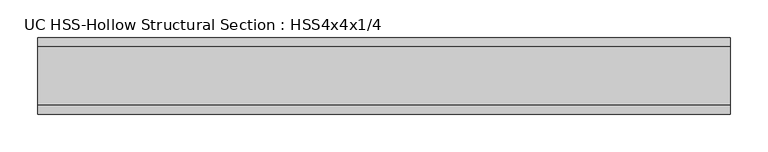
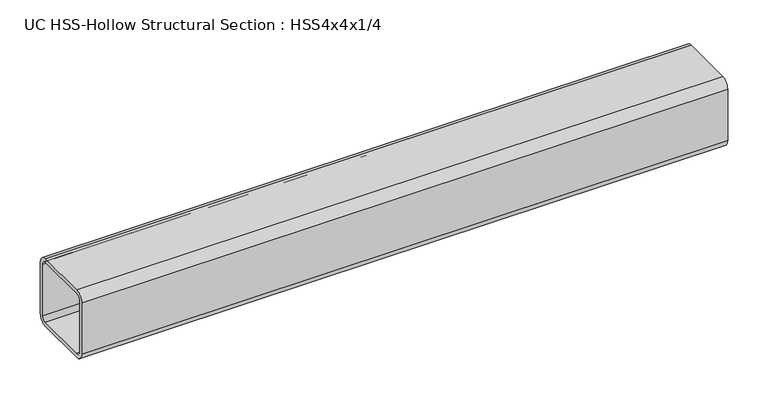
"""IFC4 building model written with IfcOpenShell, lengths in millimetres: beam geometry, UC HSS-Hollow Structural Section : HSS4x4x1/4."""

import ifcopenshell
import ifcopenshell.guid

model = None  # the IFC model being written
_history = None  # IfcOwnerHistory: only IFC2X3 demands one
_inside = {}  # id of a spatial element -> (the spatial element, [elements in it])
_under = {}  # id of a project, library or spatial element -> (it, [spatial elements below it])
_declared = {}  # id of a project -> (the project, [libraries it declares])
_typed = {}  # id of a type object -> (the type object, [elements of that type])
_made_of = {}  # id of a material, layer set ... -> (it, [elements and type objects made of it])


def new_model(schema):
    """Start an empty IFC model of exactly this schema.

    Asked for "IFC4X3", IfcOpenShell would pick the latest addendum, in which some entities
    have other attributes; the version numbers below select the first issue.
    IFC2X3 requires an IfcOwnerHistory on every rooted entity: one is made here for all.
    """
    global model, _history
    if schema == "IFC4X3":
        model = ifcopenshell.file(schema_version=(4, 3, 0, 0))
    else:
        model = ifcopenshell.file(schema=schema)
    _inside.clear()
    _under.clear()
    _declared.clear()
    _typed.clear()
    _made_of.clear()
    _history = None
    if model.schema == "IFC2X3":
        org = make("IfcOrganization", Name="unknown")
        user = make(
            "IfcPersonAndOrganization",
            ThePerson=make("IfcPerson", FamilyName="unknown"),
            TheOrganization=org,
        )
        app = make(
            "IfcApplication",
            ApplicationDeveloper=org,
            Version="unknown",
            ApplicationFullName="unknown",
            ApplicationIdentifier="unknown",
        )
        _history = make(
            "IfcOwnerHistory",
            OwningUser=user,
            OwningApplication=app,
            ChangeAction="ADDED",
            CreationDate=0,
        )
    return model


def make(cls, **values):
    """One entity of the class cls with the attributes given. An attribute that is None is left unset."""
    return model.create_entity(
        cls, **{name: value for name, value in values.items() if value is not None}
    )


def rooted(cls, **values):
    """An entity with a GlobalId (a new one), such as an element, a storey or a relation."""
    return make(cls, GlobalId=ifcopenshell.guid.new(), OwnerHistory=_history, **values)


def si_unit(unit_type, name, prefix=None):
    """IfcSIUnit, for example si_unit("LENGTHUNIT", "METRE", prefix="MILLI")."""
    return make("IfcSIUnit", UnitType=unit_type, Prefix=prefix, Name=name)


def assignment(units):
    """IfcUnitAssignment: the units of a project."""
    return None if units is None else make("IfcUnitAssignment", Units=units)


def point(xyz):
    """IfcCartesianPoint."""
    return None if xyz is None else make("IfcCartesianPoint", Coordinates=xyz)


def direction(xyz):
    """IfcDirection."""
    return None if xyz is None else make("IfcDirection", DirectionRatios=xyz)


def frame(location, z_axis=None, x_axis=None):
    """IfcAxis2Placement3D, a coordinate frame: its origin and axes. An axis left out is left unset."""
    return make(
        "IfcAxis2Placement3D",
        Location=point(location),
        Axis=direction(z_axis),
        RefDirection=direction(x_axis),
    )


def frame_2d(location, x_axis=None):
    """IfcAxis2Placement2D, a coordinate frame in the plane: its origin and x axis."""
    return make(
        "IfcAxis2Placement2D", Location=point(location), RefDirection=direction(x_axis)
    )


def origin():
    """The frame at (0, 0, 0) with its axes left unset."""
    return frame((0.0, 0.0, 0.0))


def place(relative_to, where):
    """IfcLocalPlacement: puts the frame where relative to a parent placement (None: the world)."""
    return make(
        "IfcLocalPlacement", PlacementRelTo=relative_to, RelativePlacement=where
    )


def context(
    kind, dimensions, precision=None, world=None, true_north=None, identifier=None
):
    """IfcGeometricRepresentationContext, for example the 3D "Model" context."""
    return make(
        "IfcGeometricRepresentationContext",
        ContextIdentifier=identifier,
        ContextType=kind,
        CoordinateSpaceDimension=dimensions,
        Precision=precision,
        WorldCoordinateSystem=world,
        TrueNorth=true_north,
    )


def project(units=None, contexts=None):
    """IfcProject with its units and contexts."""
    return rooted(
        "IfcProject",
        Name="project",
        RepresentationContexts=contexts,
        UnitsInContext=assignment(units),
    )


def spatial(cls, under=None, at=None, **own):
    """A site, building, storey or space (cls), placed at a placement, below another one or the project."""
    s = rooted(cls, ObjectPlacement=at, **own)
    if under is not None:
        _under.setdefault(under.id(), (under, []))[1].append(s)
    return s


def polyline(points):
    """IfcPolyline through the points."""
    return make("IfcPolyline", Points=[point(p) for p in points])


def circle_curve(where, radius):
    """IfcCircle in the frame where."""
    return make("IfcCircle", Position=where, Radius=radius)


def trimmed(basis, trim1, trim2, sense, master):
    """IfcTrimmedCurve: the piece of a basis curve between two trims."""
    return make(
        "IfcTrimmedCurve",
        BasisCurve=basis,
        Trim1=trim1,
        Trim2=trim2,
        SenseAgreement=sense,
        MasterRepresentation=master,
    )


def segment(curve, same_sense, transition):
    """IfcCompositeCurveSegment."""
    return make(
        "IfcCompositeCurveSegment",
        Transition=transition,
        SameSense=same_sense,
        ParentCurve=curve,
    )


def composite_curve(segments, self_intersect=None):
    """IfcCompositeCurve: segments joined end to end."""
    return make("IfcCompositeCurve", Segments=segments, SelfIntersect=self_intersect)


def outline(outer, holes=None, kind="AREA"):
    """IfcArbitraryClosedProfileDef: a profile drawn as a closed curve; with holes, ...WithVoids."""
    if holes is None:
        return make("IfcArbitraryClosedProfileDef", ProfileType=kind, OuterCurve=outer)
    return make(
        "IfcArbitraryProfileDefWithVoids",
        ProfileType=kind,
        OuterCurve=outer,
        InnerCurves=holes,
    )


def extrude(swept, where, along, depth):
    """IfcExtrudedAreaSolid: the profile swept, set in the frame where, extruded along a direction by depth."""
    return make(
        "IfcExtrudedAreaSolid",
        SweptArea=swept,
        Position=where,
        ExtrudedDirection=direction(along),
        Depth=depth,
    )


def shape(context_of_items, identifier, shape_type, items):
    """IfcShapeRepresentation: the items that make up one representation, for example the "Body"."""
    return make(
        "IfcShapeRepresentation",
        ContextOfItems=context_of_items,
        RepresentationIdentifier=identifier,
        RepresentationType=shape_type,
        Items=items,
    )


def source(mapping_origin, context_of_items, identifier, shape_type, items):
    """IfcRepresentationMap: a shape defined once, which mapped items show again and again."""
    return make(
        "IfcRepresentationMap",
        MappingOrigin=mapping_origin,
        MappedRepresentation=shape(context_of_items, identifier, shape_type, items),
    )


def transform(
    local_origin,
    x_axis=None,
    y_axis=None,
    z_axis=None,
    scale=None,
    scale2=None,
    scale3=None,
    uniform=True,
):
    """IfcCartesianTransformationOperator3D, or its non-uniform kind. x_axis, y_axis, z_axis: its Axis1, 2, 3."""
    if uniform:
        return make(
            "IfcCartesianTransformationOperator3D",
            Axis1=direction(x_axis),
            Axis2=direction(y_axis),
            LocalOrigin=point(local_origin),
            Scale=scale,
            Axis3=direction(z_axis),
        )
    return make(
        "IfcCartesianTransformationOperator3DnonUniform",
        Axis1=direction(x_axis),
        Axis2=direction(y_axis),
        LocalOrigin=point(local_origin),
        Scale=scale,
        Axis3=direction(z_axis),
        Scale2=scale2,
        Scale3=scale3,
    )


def mapped(mapping_source, mapping_target):
    """IfcMappedItem: shows the shape of a source again, moved by a transform."""
    return make(
        "IfcMappedItem", MappingSource=mapping_source, MappingTarget=mapping_target
    )


def made_of(thing, what):
    """Note that an element or type object is made of a material, layer set ...; save() writes the relation."""
    if what is not None:
        _made_of.setdefault(what.id(), (what, []))[1].append(thing)
    return thing


def element(
    cls,
    number,
    at=None,
    inside=None,
    cuts=None,
    type_object=None,
    material=None,
    context=None,
    identifier="Body",
    shape_type=None,
    held_by="IfcProductDefinitionShape",
    body=None,
    shapes=None,
    **own,
):
    """One element of the class cls, such as IfcWall. Its Tag is "e" and its number.

    at: its placement. inside: the storey or other place that contains it. cuts: it is an
    opening in that element (IfcRelVoidsElement). A single representation is given by context,
    identifier, shape_type and body (its items); several are given by shapes. held_by: the class
    of the entity that holds the representations. save() writes the other relations.
    """
    e = rooted(cls, Tag="e%d" % number, ObjectPlacement=at, **own)
    if body is not None:
        shapes = [shape(context, identifier, shape_type, body)]
    if shapes is not None:
        e.Representation = make(held_by, Representations=shapes)
    if inside is not None:
        _inside.setdefault(inside.id(), (inside, []))[1].append(e)
    if cuts is not None:
        rooted(
            "IfcRelVoidsElement", RelatingBuildingElement=cuts, RelatedOpeningElement=e
        )
    if type_object is not None:
        _typed.setdefault(type_object.id(), (type_object, []))[1].append(e)
    return made_of(e, material)


def aggregate(whole, parts):
    """IfcRelAggregates: a whole, such as a stair, and the parts it consists of."""
    return rooted("IfcRelAggregates", RelatingObject=whole, RelatedObjects=parts)


def save(model, path):
    """Write the relations noted so far, then the file.

    IfcRelAggregates (storeys below a building ...), IfcRelContainedInSpatialStructure (elements
    in a storey), IfcRelDefinesByType, IfcRelAssociatesMaterial and IfcRelDeclares: one each for
    every whole, place, type object, material and project.
    """
    for whole, parts in _under.values():
        aggregate(whole, parts)
    for where, things in _inside.values():
        rooted(
            "IfcRelContainedInSpatialStructure",
            RelatedElements=things,
            RelatingStructure=where,
        )
    for kind, things in _typed.values():
        rooted("IfcRelDefinesByType", RelatedObjects=things, RelatingType=kind)
    for what, things in _made_of.values():
        rooted("IfcRelAssociatesMaterial", RelatedObjects=things, RelatingMaterial=what)
    for by, libraries in _declared.values():
        rooted("IfcRelDeclares", RelatingContext=by, RelatedDefinitions=libraries)
    model.write(path)


def uc_hss_hollow_structural_section_hss4x4x1_4_7cc8eb19(model_context):
    return source(origin(), model_context, "Body", "SweptSolid", [
        extrude(outline(composite_curve([segment(trimmed(circle_curve(frame_2d((-38.9636, 38.9636)), 11.8364), [point((-50.8, 38.9636))], [point((-38.9636, 50.8))], False, "CARTESIAN"), True, "CONTINUOUS"), segment(polyline([(-38.9636, 50.8), (38.9636, 50.8)]), True, "CONTINUOUS"), segment(trimmed(circle_curve(frame_2d((38.9636, 38.9636)), 11.8364), [point((38.9636, 50.8))], [point((50.8, 38.9636))], False, "CARTESIAN"), True, "CONTINUOUS"), segment(polyline([(50.8, 38.9636), (50.8, -38.9636)]), True, "CONTINUOUS"), segment(trimmed(circle_curve(frame_2d((38.9636, -38.9636)), 11.8364), [point((50.8, -38.9636))], [point((38.9636, -50.8))], False, "CARTESIAN"), True, "CONTINUOUS"), segment(polyline([(38.9636, -50.8), (-38.9636, -50.8)]), True, "CONTINUOUS"), segment(trimmed(circle_curve(frame_2d((-38.9636, -38.9636)), 11.8364), [point((-38.9636, -50.8))], [point((-50.8, -38.9636))], False, "CARTESIAN"), True, "CONTINUOUS"), segment(polyline([(-50.8, -38.9636), (-50.8, 38.9636)]), True, "CONTINUOUS")], self_intersect=False), holes=[composite_curve([segment(polyline([(38.9636, 44.8818), (-38.9636, 44.8818)]), True, "CONTINUOUS"), segment(trimmed(circle_curve(frame_2d((-38.9636, 38.9636)), 5.9182), [point((-38.9636, 44.8818))], [point((-44.8818, 38.9636))], True, "CARTESIAN"), True, "CONTINUOUS"), segment(polyline([(-44.8818, 38.9636), (-44.8818, -38.9636)]), True, "CONTINUOUS"), segment(trimmed(circle_curve(frame_2d((-38.9636, -38.9636)), 5.9182), [point((-44.8818, -38.9636))], [point((-38.9636, -44.8818))], True, "CARTESIAN"), True, "CONTINUOUS"), segment(polyline([(-38.9636, -44.8818), (38.9636, -44.8818)]), True, "CONTINUOUS"), segment(trimmed(circle_curve(frame_2d((38.9636, -38.9636)), 5.9182), [point((38.9636, -44.8818))], [point((44.8818, -38.9636))], True, "CARTESIAN"), True, "CONTINUOUS"), segment(polyline([(44.8818, -38.9636), (44.8818, 38.9636)]), True, "CONTINUOUS"), segment(trimmed(circle_curve(frame_2d((38.9636, 38.9636)), 5.9182), [point((44.8818, 38.9636))], [point((38.9636, 44.8818))], True, "CARTESIAN"), True, "CONTINUOUS")], self_intersect=False)]), frame((-382.4312693, 0.0, 0.0), z_axis=(1.0, 0.0, 0.0), x_axis=(0.0, 1.0, 0.0)), (0.0, 0.0, 1.0), 921.2466366),
    ])


if __name__ == "__main__":
    model = new_model("IFC4")
    model_context = context("Model", 3, world=origin())
    ifc_project = project(units=[si_unit("LENGTHUNIT", "METRE", prefix="MILLI")], contexts=[model_context])
    site = spatial("IfcSite", under=ifc_project)
    building = spatial("IfcBuilding", under=site)
    placement = place(None, origin())
    uc_hss_hollow_structural_section_hss4x4x1_4_shape = uc_hss_hollow_structural_section_hss4x4x1_4_7cc8eb19(model_context)
    element("IfcBeam", 1, ObjectType="UC HSS-Hollow Structural Section : HSS4x4x1/4", at=placement, inside=building, context=model_context, shape_type="MappedRepresentation", body=[
        mapped(uc_hss_hollow_structural_section_hss4x4x1_4_shape, transform((0.0, 0.0, 0.0), x_axis=(1.0, 0.0, 0.0), y_axis=(0.0, 1.0, 0.0), z_axis=(0.0, 0.0, 1.0))),
    ])
    save(model, "model.ifc")
